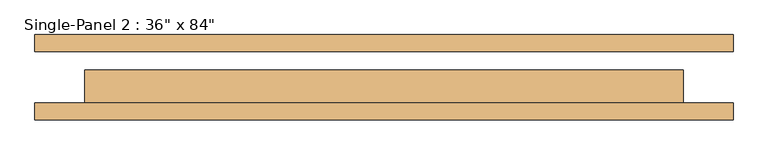
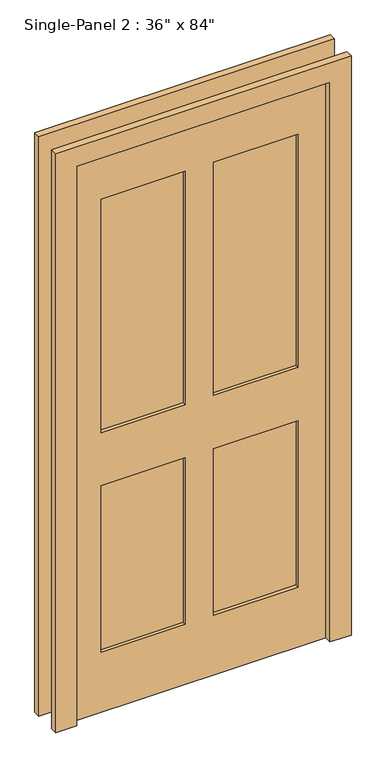
"""IFC4 building model written with IfcOpenShell, lengths in millimetres: door geometry."""

from ifc_helpers import new_model, si_unit, frame, origin, place, context, project, spatial, polyline, outline, extrude, source, transform, mapped, element, save


def door_de43a72e(model_context):
    return source(origin(), model_context, "Body", "SweptSolid", [
        extrude(outline(polyline([(-50.9240165, -1.5875), (-50.9240165, -26.9875), (-355.0511799, -26.9875), (-355.0511799, -1.5875), (-50.9240165, -1.5875)])), frame((0.0, 0.0, 1068.1906173), z_axis=(0.0, 0.0, 1.0), x_axis=(1.0, 0.0, 0.0)), (0.0, 0.0, 1.0), 889.2046757),
        extrude(outline(polyline([(356.1488201, -1.5875), (356.1488201, -26.9875), (50.6759835, -26.9875), (50.6759835, -1.5875), (356.1488201, -1.5875)])), frame((0.0, 0.0, 1068.1906173), z_axis=(0.0, 0.0, 1.0), x_axis=(1.0, 0.0, 0.0)), (0.0, 0.0, 1.0), 889.2046757),
        extrude(outline(polyline([(-50.9240165, -1.5875), (-50.9240165, -26.9875), (-355.0511799, -26.9875), (-355.0511799, -1.5875), (-50.9240165, -1.5875)])), frame((0.0, 0.0, 230.195293), z_axis=(0.0, 0.0, 1.0), x_axis=(1.0, 0.0, 0.0)), (0.0, 0.0, 1.0), 635.0),
        extrude(outline(polyline([(356.1488201, -1.5875), (356.1488201, -26.9875), (50.6759835, -26.9875), (50.6759835, -1.5875), (356.1488201, -1.5875)])), frame((0.0, 0.0, 230.195293), z_axis=(0.0, 0.0, 1.0), x_axis=(1.0, 0.0, 0.0)), (0.0, 0.0, 1.0), 634.7953243),
        extrude(outline(polyline([(2209.8, -533.4), (1.3906173, -533.4), (1.3906173, -457.3240165), (2134.9906173, -457.3240165), (2134.9906173, 457.0759835), (1.3906173, 457.0759835), (0.0, 533.4), (2209.8, 533.4), (2209.8, -533.4)])), frame((0.0, -65.0875, 0.0), z_axis=(0.0, 1.0, 0.0), x_axis=(0.0, 0.0, 1.0)), (0.0, 0.0, 1.0), 25.4),
        extrude(outline(polyline([(2209.8, 533.4), (2209.8, -533.4), (1.3906173, -533.4), (1.3906173, -457.3240165), (2134.9906173, -457.3240165), (2134.9906173, 457.0759835), (1.3906173, 457.0759835), (0.0, 533.4), (2209.8, 533.4)])), frame((0.0, 39.6875, 0.0), z_axis=(0.0, 1.0, 0.0), x_axis=(0.0, 0.0, 1.0)), (0.0, 0.0, 1.0), 25.4),
        extrude(outline(polyline([(2134.9906173, 457.0759835), (2134.9906173, -457.3240165), (1.3906173, -457.3240165), (1.3906173, 457.0759835), (2134.9906173, 457.0759835)]), holes=[polyline([(1957.395293, -50.9240165), (1068.1906173, -50.9240165), (1068.1906173, -355.0511799), (1957.395293, -355.0511799), (1957.395293, -50.9240165)]), polyline([(1957.395293, 356.1488201), (1068.1906173, 356.1488201), (1068.1906173, 50.6759835), (1957.395293, 50.6759835), (1957.395293, 356.1488201)]), polyline([(865.195293, -50.9240165), (230.195293, -50.9240165), (230.195293, -355.0511799), (865.195293, -355.0511799), (865.195293, -50.9240165)]), polyline([(864.9906173, 356.1488201), (230.195293, 356.1488201), (230.195293, 50.6759835), (864.9906173, 50.6759835), (864.9906173, 356.1488201)])]), frame((0.0, -39.6875, 0.0), z_axis=(0.0, 1.0, 0.0), x_axis=(0.0, 0.0, 1.0)), (0.0, 0.0, 1.0), 50.8),
    ])


if __name__ == "__main__":
    model = new_model("IFC4")
    model_context = context("Model", 3, world=origin())
    ifc_project = project(units=[si_unit("LENGTHUNIT", "METRE", prefix="MILLI")], contexts=[model_context])
    site = spatial("IfcSite", under=ifc_project)
    building = spatial("IfcBuilding", under=site)
    placement = place(None, origin())
    door_shape = door_de43a72e(model_context)
    element("IfcDoor", 1, ObjectType="Single-Panel 2 : 36\" x 84\"", at=placement, inside=building, context=model_context, shape_type="MappedRepresentation", body=[
        mapped(door_shape, transform((0.0, 0.0, 0.0), x_axis=(1.0, 0.0, 0.0), y_axis=(0.0, 1.0, 0.0), z_axis=(0.0, 0.0, 1.0))),
    ])
    save(model, "model.ifc")
